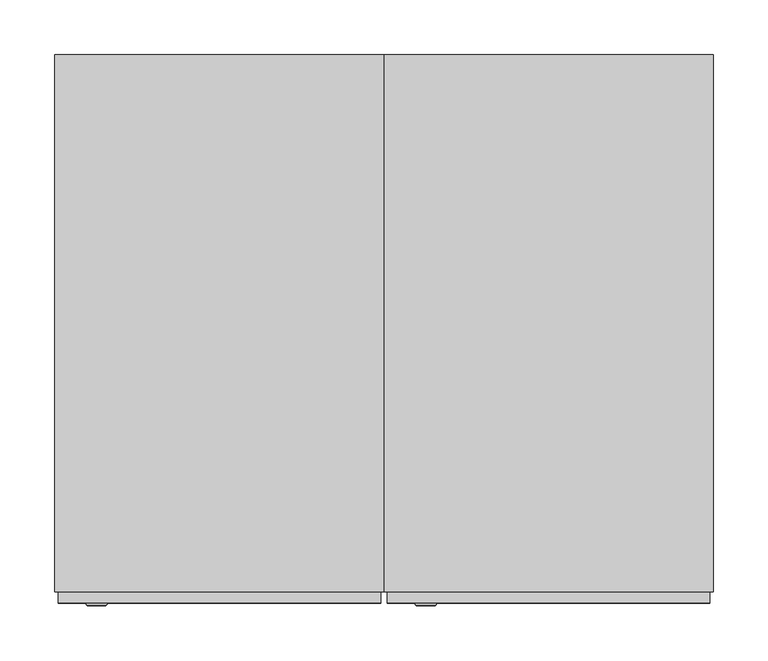
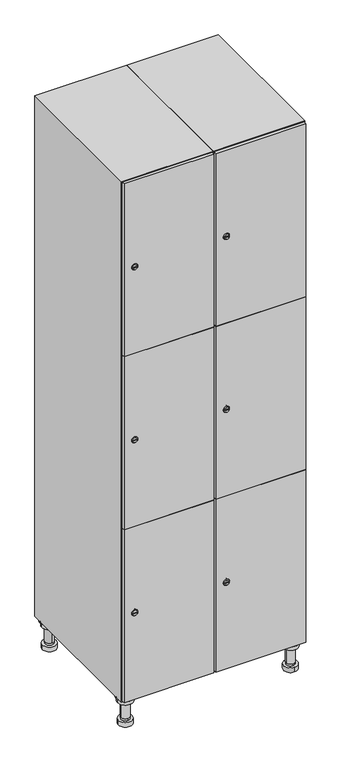
"""IFC4 building model written with IfcOpenShell, lengths in millimetres: furniture geometry."""

from ifc_helpers import new_model, si_unit, point, frame, frame_2d, origin, place, context, project, spatial, polyline, circle_curve, trimmed, segment, composite_curve, outline, extrude, faceted_brep, source, transform, mapped, element, save
from ifc_brep_helpers import plane_surface, cylinder_surface, revolved_surface, advanced_brep


def furniture_5cc05d72(model_context):
    return source(origin(), model_context, "Body", "SolidModel", [
        advanced_brep(
        [(370.0, -201.0, 22.0), (370.0, -201.5, 16.0), (370.0, -228.5, 16.0), (370.0, -229.0, 22.0), (356.0, -215.0, 22.0), (384.0, -215.0, 22.0), (370.0, -192.5, 16.0), (370.0, -237.5, 16.0), (370.0, -192.5, 0.0), (370.0, -237.5, 0.0), (384.0, -215.0, 78.0), (356.0, -215.0, 78.0), (395.0, -215.0, 78.0), (345.0, -215.0, 78.0), (400.0, -215.0, 94.0), (340.0, -215.0, 94.0), (345.0, -215.0, 94.0), (395.0, -215.0, 94.0), (400.0, -215.0, 100.0), (340.0, -215.0, 100.0)],
        [
            (0, 1),
            (1, 2, circle_curve(frame((370.0, -215.0, 16.0), z_axis=(0.0, 0.0, 1.0), x_axis=(0.0, -1.0, 0.0)), 13.5)),
            (2, 3),
            (3, 4, circle_curve(frame((370.0, -215.0, 22.0), z_axis=(0.0, 0.0, -1.0), x_axis=(0.0, -1.0, 0.0)), 14.0)),
            (4, 0, circle_curve(frame((370.0, -215.0, 22.0), z_axis=(0.0, 0.0, -1.0), x_axis=(0.0, -1.0, 0.0)), 14.0)),
            (0, 5, circle_curve(frame((370.0, -215.0, 22.0), z_axis=(0.0, 0.0, -1.0), x_axis=(0.0, 1.0, 0.0)), 14.0)),
            (5, 3, circle_curve(frame((370.0, -215.0, 22.0), z_axis=(0.0, 0.0, -1.0), x_axis=(0.0, 1.0, 0.0)), 14.0)),
            (2, 1, circle_curve(frame((370.0, -215.0, 16.0), z_axis=(0.0, 0.0, 1.0), x_axis=(0.0, 1.0, 0.0)), 13.5)),
            (6, 7, circle_curve(frame((370.0, -215.0, 16.0), z_axis=(0.0, 0.0, 1.0), x_axis=(0.0, -1.0, 0.0)), 22.5)),
            (7, 6, circle_curve(frame((370.0, -215.0, 16.0), z_axis=(0.0, 0.0, 1.0), x_axis=(0.0, -1.0, 0.0)), 22.5)),
            (8, 9, circle_curve(frame((370.0, -215.0, 0.0), z_axis=(0.0, 0.0, -1.0), x_axis=(0.0, -1.0, 0.0)), 22.5)),
            (9, 8, circle_curve(frame((370.0, -215.0, 0.0), z_axis=(0.0, 0.0, -1.0), x_axis=(0.0, -1.0, 0.0)), 22.5)),
            (6, 8),
            (9, 7),
            (5, 10),
            (10, 11, circle_curve(frame((370.0, -215.0, 78.0), z_axis=(0.0, 0.0, -1.0), x_axis=(-1.0, 0.0, 0.0)), 14.0)),
            (11, 4),
            (11, 10, circle_curve(frame((370.0, -215.0, 78.0), z_axis=(0.0, 0.0, -1.0), x_axis=(-1.0, 0.0, 0.0)), 14.0)),
            (12, 13, circle_curve(frame((370.0, -215.0, 78.0), z_axis=(0.0, 0.0, -1.0), x_axis=(-1.0, 0.0, 0.0)), 25.0)),
            (13, 12, circle_curve(frame((370.0, -215.0, 78.0), z_axis=(0.0, 0.0, -1.0), x_axis=(-1.0, 0.0, 0.0)), 25.0)),
            (14, 15, circle_curve(frame((370.0, -215.0, 94.0), z_axis=(0.0, 0.0, -1.0), x_axis=(-1.0, 0.0, 0.0)), 30.0)),
            (15, 14, circle_curve(frame((370.0, -215.0, 94.0), z_axis=(0.0, 0.0, -1.0), x_axis=(-1.0, 0.0, 0.0)), 30.0)),
            (16, 17, circle_curve(frame((370.0, -215.0, 94.0), z_axis=(0.0, 0.0, 1.0), x_axis=(-1.0, 0.0, 0.0)), 25.0)),
            (17, 16, circle_curve(frame((370.0, -215.0, 94.0), z_axis=(0.0, 0.0, 1.0), x_axis=(-1.0, 0.0, 0.0)), 25.0)),
            (18, 19, circle_curve(frame((370.0, -215.0, 100.0), z_axis=(0.0, 0.0, 1.0), x_axis=(-1.0, 0.0, 0.0)), 30.0)),
            (19, 18, circle_curve(frame((370.0, -215.0, 100.0), z_axis=(0.0, 0.0, 1.0), x_axis=(-1.0, 0.0, 0.0)), 30.0)),
            (14, 18),
            (19, 15),
            (12, 17),
            (16, 13),
        ],
        [
            revolved_surface(polyline([(370.0, -201.5, 16.0), (370.0, -201.0, 22.0)]), (370.0, -215.0, -146.0), (0.0, 0.0, 1.0)),
            plane_surface(frame((370.0, 0.0, 16.0), z_axis=(0.0, 0.0, 1.0), x_axis=(0.0, -1.0, 0.0))),
            plane_surface(frame((370.0, 0.0, 0.0), z_axis=(0.0, 0.0, -1.0), x_axis=(0.0, -1.0, 0.0))),
            cylinder_surface(frame((370.0, -215.0, 16.0), z_axis=(0.0, 0.0, 1.0), x_axis=(0.0, -1.0, 0.0)), 22.5),
            cylinder_surface(frame((370.0, -215.0, 22.0), z_axis=(0.0, 0.0, -1.0), x_axis=(-1.0, 0.0, 0.0)), 14.0),
            plane_surface(frame((370.0, 0.0, 78.0), z_axis=(0.0, 0.0, -1.0), x_axis=(0.0, -1.0, 0.0))),
            plane_surface(frame((370.0, 0.0, 94.0), z_axis=(0.0, 0.0, -1.0), x_axis=(0.0, -1.0, 0.0))),
            plane_surface(frame((370.0, 0.0, 100.0), z_axis=(0.0, 0.0, 1.0), x_axis=(0.0, -1.0, 0.0))),
            cylinder_surface(frame((370.0, -215.0, 94.0), z_axis=(0.0, 0.0, -1.0), x_axis=(-1.0, 0.0, 0.0)), 30.0),
            cylinder_surface(frame((370.0, -215.0, 78.0), z_axis=(0.0, 0.0, -1.0), x_axis=(-1.0, 0.0, 0.0)), 25.0),
        ],
        [
            (0, [[1, 2, 3, 4, 5]]),
            (0, [[-1, 6, 7, -3, 8]]),
            (1, [[9, 10], [-2, -8]]),
            (2, [[11, 12]]),
            (3, [[-9, 13, -12, 14]]),
            (3, [[-10, -14, -11, -13]]),
            (4, [[15, 16, 17, -4, -7]]),
            (4, [[-15, -6, -5, -17, 18]]),
            (5, [[19, 20], [-16, -18]]),
            (6, [[21, 22], [23, 24]]),
            (7, [[25, 26]]),
            (8, [[-21, 27, -26, 28]]),
            (8, [[-22, -28, -25, -27]]),
            (9, [[-19, 29, -23, 30]]),
            (9, [[-20, -30, -24, -29]]),
        ],
    ),
        advanced_brep(
        [(-170.0, -201.0, 22.0), (-170.0, -201.5, 16.0), (-170.0, -228.5, 16.0), (-170.0, -229.0, 22.0), (-184.0, -215.0, 22.0), (-156.0, -215.0, 22.0), (-147.5, -215.0, 0.0), (-192.5, -215.0, 0.0), (-147.5, -215.0, 16.0), (-192.5, -215.0, 16.0), (-156.0, -215.0, 78.0), (-184.0, -215.0, 78.0), (-145.0, -215.0, 78.0), (-195.0, -215.0, 78.0), (-140.0, -215.0, 94.0), (-200.0, -215.0, 94.0), (-195.0, -215.0, 94.0), (-145.0, -215.0, 94.0), (-140.0, -215.0, 100.0), (-200.0, -215.0, 100.0)],
        [
            (0, 1),
            (1, 2, circle_curve(frame((-170.0, -215.0, 16.0), z_axis=(0.0, 0.0, 1.0), x_axis=(0.0, -1.0, 0.0)), 13.5)),
            (2, 3),
            (3, 4, circle_curve(frame((-170.0, -215.0, 22.0), z_axis=(0.0, 0.0, -1.0), x_axis=(0.0, -1.0, 0.0)), 14.0)),
            (4, 0, circle_curve(frame((-170.0, -215.0, 22.0), z_axis=(0.0, 0.0, -1.0), x_axis=(0.0, -1.0, 0.0)), 14.0)),
            (0, 5, circle_curve(frame((-170.0, -215.0, 22.0), z_axis=(0.0, 0.0, -1.0), x_axis=(0.0, 1.0, 0.0)), 14.0)),
            (5, 3, circle_curve(frame((-170.0, -215.0, 22.0), z_axis=(0.0, 0.0, -1.0), x_axis=(0.0, 1.0, 0.0)), 14.0)),
            (2, 1, circle_curve(frame((-170.0, -215.0, 16.0), z_axis=(0.0, 0.0, 1.0), x_axis=(0.0, 1.0, 0.0)), 13.5)),
            (6, 7, circle_curve(frame((-170.0, -215.0, 0.0), z_axis=(0.0, 0.0, -1.0), x_axis=(-1.0, 0.0, 0.0)), 22.5)),
            (7, 6, circle_curve(frame((-170.0, -215.0, 0.0), z_axis=(0.0, 0.0, -1.0), x_axis=(-1.0, 0.0, 0.0)), 22.5)),
            (8, 9, circle_curve(frame((-170.0, -215.0, 16.0), z_axis=(0.0, 0.0, 1.0), x_axis=(-1.0, 0.0, 0.0)), 22.5)),
            (9, 8, circle_curve(frame((-170.0, -215.0, 16.0), z_axis=(0.0, 0.0, 1.0), x_axis=(-1.0, 0.0, 0.0)), 22.5)),
            (6, 8),
            (9, 7),
            (5, 10),
            (10, 11, circle_curve(frame((-170.0, -215.0, 78.0), z_axis=(0.0, 0.0, -1.0), x_axis=(-1.0, 0.0, 0.0)), 14.0)),
            (11, 4),
            (11, 10, circle_curve(frame((-170.0, -215.0, 78.0), z_axis=(0.0, 0.0, -1.0), x_axis=(-1.0, 0.0, 0.0)), 14.0)),
            (12, 13, circle_curve(frame((-170.0, -215.0, 78.0), z_axis=(0.0, 0.0, -1.0), x_axis=(-1.0, 0.0, 0.0)), 25.0)),
            (13, 12, circle_curve(frame((-170.0, -215.0, 78.0), z_axis=(0.0, 0.0, -1.0), x_axis=(-1.0, 0.0, 0.0)), 25.0)),
            (14, 15, circle_curve(frame((-170.0, -215.0, 94.0), z_axis=(0.0, 0.0, -1.0), x_axis=(-1.0, 0.0, 0.0)), 30.0)),
            (15, 14, circle_curve(frame((-170.0, -215.0, 94.0), z_axis=(0.0, 0.0, -1.0), x_axis=(-1.0, 0.0, 0.0)), 30.0)),
            (16, 17, circle_curve(frame((-170.0, -215.0, 94.0), z_axis=(0.0, 0.0, 1.0), x_axis=(-1.0, 0.0, 0.0)), 25.0)),
            (17, 16, circle_curve(frame((-170.0, -215.0, 94.0), z_axis=(0.0, 0.0, 1.0), x_axis=(-1.0, 0.0, 0.0)), 25.0)),
            (18, 19, circle_curve(frame((-170.0, -215.0, 100.0), z_axis=(0.0, 0.0, 1.0), x_axis=(-1.0, 0.0, 0.0)), 30.0)),
            (19, 18, circle_curve(frame((-170.0, -215.0, 100.0), z_axis=(0.0, 0.0, 1.0), x_axis=(-1.0, 0.0, 0.0)), 30.0)),
            (14, 18),
            (19, 15),
            (12, 17),
            (16, 13),
        ],
        [
            revolved_surface(polyline([(-170.0, -201.5, 16.0), (-170.0, -201.0, 22.0)]), (-170.0, -215.0, -146.0), (0.0, 0.0, 1.0)),
            plane_surface(frame((-170.0, 0.0, 0.0), z_axis=(0.0, 0.0, -1.0), x_axis=(0.0, -1.0, 0.0))),
            plane_surface(frame((-170.0, 0.0, 16.0), z_axis=(0.0, 0.0, 1.0), x_axis=(0.0, -1.0, 0.0))),
            cylinder_surface(frame((-170.0, -215.0, 0.0), z_axis=(0.0, 0.0, -1.0), x_axis=(-1.0, 0.0, 0.0)), 22.5),
            cylinder_surface(frame((-170.0, -215.0, 22.0), z_axis=(0.0, 0.0, -1.0), x_axis=(-1.0, 0.0, 0.0)), 14.0),
            plane_surface(frame((-170.0, 0.0, 78.0), z_axis=(0.0, 0.0, -1.0), x_axis=(0.0, -1.0, 0.0))),
            plane_surface(frame((-170.0, 0.0, 94.0), z_axis=(0.0, 0.0, -1.0), x_axis=(0.0, -1.0, 0.0))),
            plane_surface(frame((-170.0, 0.0, 100.0), z_axis=(0.0, 0.0, 1.0), x_axis=(0.0, -1.0, 0.0))),
            cylinder_surface(frame((-170.0, -215.0, 94.0), z_axis=(0.0, 0.0, -1.0), x_axis=(-1.0, 0.0, 0.0)), 30.0),
            cylinder_surface(frame((-170.0, -215.0, 78.0), z_axis=(0.0, 0.0, -1.0), x_axis=(-1.0, 0.0, 0.0)), 25.0),
        ],
        [
            (0, [[1, 2, 3, 4, 5]]),
            (0, [[-1, 6, 7, -3, 8]]),
            (1, [[9, 10]]),
            (2, [[11, 12], [-2, -8]]),
            (3, [[-9, 13, -12, 14]]),
            (3, [[-10, -14, -11, -13]]),
            (4, [[15, 16, 17, -4, -7]]),
            (4, [[-15, -6, -5, -17, 18]]),
            (5, [[19, 20], [-16, -18]]),
            (6, [[21, 22], [23, 24]]),
            (7, [[25, 26]]),
            (8, [[-21, 27, -26, 28]]),
            (8, [[-22, -28, -25, -27]]),
            (9, [[-19, 29, -23, 30]]),
            (9, [[-20, -30, -24, -29]]),
        ],
    ),
        advanced_brep(
        [(383.5, 215.0, 16.0), (384.0, 215.0, 22.0), (356.0, 215.0, 22.0), (356.5, 215.0, 16.0), (392.5, 215.0, 0.0), (347.5, 215.0, 0.0), (392.5, 215.0, 16.0), (347.5, 215.0, 16.0), (384.0, 215.0, 78.0), (356.0, 215.0, 78.0), (395.0, 215.0, 78.0), (345.0, 215.0, 78.0), (400.0, 215.0, 94.0), (340.0, 215.0, 94.0), (345.0, 215.0, 94.0), (395.0, 215.0, 94.0), (400.0, 215.0, 100.0), (340.0, 215.0, 100.0)],
        [
            (0, 1),
            (1, 2, circle_curve(frame((370.0, 215.0, 22.0), z_axis=(0.0, 0.0, -1.0), x_axis=(-1.0, 0.0, 0.0)), 14.0)),
            (2, 3),
            (3, 0, circle_curve(frame((370.0, 215.0, 16.0), z_axis=(0.0, 0.0, 1.0), x_axis=(-1.0, 0.0, 0.0)), 13.5)),
            (0, 3, circle_curve(frame((370.0, 215.0, 16.0), z_axis=(0.0, 0.0, 1.0), x_axis=(1.0, 0.0, 0.0)), 13.5)),
            (2, 1, circle_curve(frame((370.0, 215.0, 22.0), z_axis=(0.0, 0.0, -1.0), x_axis=(1.0, 0.0, 0.0)), 14.0)),
            (4, 5, circle_curve(frame((370.0, 215.0, 0.0), z_axis=(0.0, 0.0, -1.0), x_axis=(-1.0, 0.0, 0.0)), 22.5)),
            (5, 4, circle_curve(frame((370.0, 215.0, 0.0), z_axis=(0.0, 0.0, -1.0), x_axis=(-1.0, 0.0, 0.0)), 22.5)),
            (6, 7, circle_curve(frame((370.0, 215.0, 16.0), z_axis=(0.0, 0.0, 1.0), x_axis=(-1.0, 0.0, 0.0)), 22.5)),
            (7, 6, circle_curve(frame((370.0, 215.0, 16.0), z_axis=(0.0, 0.0, 1.0), x_axis=(-1.0, 0.0, 0.0)), 22.5)),
            (4, 6),
            (7, 5),
            (1, 8),
            (8, 9, circle_curve(frame((370.0, 215.0, 78.0), z_axis=(0.0, 0.0, -1.0), x_axis=(-1.0, 0.0, 0.0)), 14.0)),
            (9, 2),
            (9, 8, circle_curve(frame((370.0, 215.0, 78.0), z_axis=(0.0, 0.0, -1.0), x_axis=(-1.0, 0.0, 0.0)), 14.0)),
            (10, 11, circle_curve(frame((370.0, 215.0, 78.0), z_axis=(0.0, 0.0, -1.0), x_axis=(-1.0, 0.0, 0.0)), 25.0)),
            (11, 10, circle_curve(frame((370.0, 215.0, 78.0), z_axis=(0.0, 0.0, -1.0), x_axis=(-1.0, 0.0, 0.0)), 25.0)),
            (12, 13, circle_curve(frame((370.0, 215.0, 94.0), z_axis=(0.0, 0.0, -1.0), x_axis=(-1.0, 0.0, 0.0)), 30.0)),
            (13, 12, circle_curve(frame((370.0, 215.0, 94.0), z_axis=(0.0, 0.0, -1.0), x_axis=(-1.0, 0.0, 0.0)), 30.0)),
            (14, 15, circle_curve(frame((370.0, 215.0, 94.0), z_axis=(0.0, 0.0, 1.0), x_axis=(-1.0, 0.0, 0.0)), 25.0)),
            (15, 14, circle_curve(frame((370.0, 215.0, 94.0), z_axis=(0.0, 0.0, 1.0), x_axis=(-1.0, 0.0, 0.0)), 25.0)),
            (16, 17, circle_curve(frame((370.0, 215.0, 100.0), z_axis=(0.0, 0.0, 1.0), x_axis=(-1.0, 0.0, 0.0)), 30.0)),
            (17, 16, circle_curve(frame((370.0, 215.0, 100.0), z_axis=(0.0, 0.0, 1.0), x_axis=(-1.0, 0.0, 0.0)), 30.0)),
            (12, 16),
            (17, 13),
            (10, 15),
            (14, 11),
        ],
        [
            revolved_surface(polyline([(383.5, 215.0, 16.0), (384.0, 215.0, 22.0)]), (370.0, 215.0, -146.0), (0.0, 0.0, 1.0)),
            plane_surface(frame((370.0, 0.0, 0.0), z_axis=(0.0, 0.0, -1.0), x_axis=(0.0, -1.0, 0.0))),
            plane_surface(frame((370.0, 0.0, 16.0), z_axis=(0.0, 0.0, 1.0), x_axis=(0.0, -1.0, 0.0))),
            cylinder_surface(frame((370.0, 215.0, 0.0), z_axis=(0.0, 0.0, -1.0), x_axis=(-1.0, 0.0, 0.0)), 22.5),
            cylinder_surface(frame((370.0, 215.0, 22.0), z_axis=(0.0, 0.0, -1.0), x_axis=(-1.0, 0.0, 0.0)), 14.0),
            plane_surface(frame((370.0, 0.0, 78.0), z_axis=(0.0, 0.0, -1.0), x_axis=(0.0, -1.0, 0.0))),
            plane_surface(frame((370.0, 0.0, 94.0), z_axis=(0.0, 0.0, -1.0), x_axis=(0.0, -1.0, 0.0))),
            plane_surface(frame((370.0, 0.0, 100.0), z_axis=(0.0, 0.0, 1.0), x_axis=(0.0, -1.0, 0.0))),
            cylinder_surface(frame((370.0, 215.0, 94.0), z_axis=(0.0, 0.0, -1.0), x_axis=(-1.0, 0.0, 0.0)), 30.0),
            cylinder_surface(frame((370.0, 215.0, 78.0), z_axis=(0.0, 0.0, -1.0), x_axis=(-1.0, 0.0, 0.0)), 25.0),
        ],
        [
            (0, [[1, 2, 3, 4]]),
            (0, [[-1, 5, -3, 6]]),
            (1, [[7, 8]]),
            (2, [[9, 10], [-4, -5]]),
            (3, [[-7, 11, -10, 12]]),
            (3, [[-8, -12, -9, -11]]),
            (4, [[13, 14, 15, -2]]),
            (4, [[-13, -6, -15, 16]]),
            (5, [[17, 18], [-14, -16]]),
            (6, [[19, 20], [21, 22]]),
            (7, [[23, 24]]),
            (8, [[-19, 25, -24, 26]]),
            (8, [[-20, -26, -23, -25]]),
            (9, [[-17, 27, -21, 28]]),
            (9, [[-18, -28, -22, -27]]),
        ],
    ),
        advanced_brep(
        [(-156.5, 215.0, 16.0), (-156.0, 215.0, 22.0), (-170.0, 201.0, 22.0), (-184.0, 215.0, 22.0), (-183.5, 215.0, 16.0), (-170.0, 229.0, 22.0), (-147.5, 215.0, 0.0), (-192.5, 215.0, 0.0), (-147.5, 215.0, 16.0), (-192.5, 215.0, 16.0), (-170.0, 229.0, 78.0), (-170.0, 201.0, 78.0), (-145.0, 215.0, 78.0), (-195.0, 215.0, 78.0), (-140.0, 215.0, 94.0), (-200.0, 215.0, 94.0), (-195.0, 215.0, 94.0), (-145.0, 215.0, 94.0), (-140.0, 215.0, 100.0), (-200.0, 215.0, 100.0)],
        [
            (0, 1),
            (1, 2, circle_curve(frame((-170.0, 215.0, 22.0), z_axis=(0.0, 0.0, -1.0), x_axis=(-1.0, 0.0, 0.0)), 14.0)),
            (2, 3, circle_curve(frame((-170.0, 215.0, 22.0), z_axis=(0.0, 0.0, -1.0), x_axis=(-1.0, 0.0, 0.0)), 14.0)),
            (3, 4),
            (4, 0, circle_curve(frame((-170.0, 215.0, 16.0), z_axis=(0.0, 0.0, 1.0), x_axis=(-1.0, 0.0, 0.0)), 13.5)),
            (0, 4, circle_curve(frame((-170.0, 215.0, 16.0), z_axis=(0.0, 0.0, 1.0), x_axis=(1.0, 0.0, 0.0)), 13.5)),
            (3, 5, circle_curve(frame((-170.0, 215.0, 22.0), z_axis=(0.0, 0.0, -1.0), x_axis=(1.0, 0.0, 0.0)), 14.0)),
            (5, 1, circle_curve(frame((-170.0, 215.0, 22.0), z_axis=(0.0, 0.0, -1.0), x_axis=(1.0, 0.0, 0.0)), 14.0)),
            (6, 7, circle_curve(frame((-170.0, 215.0, 0.0), z_axis=(0.0, 0.0, -1.0), x_axis=(-1.0, 0.0, 0.0)), 22.5)),
            (7, 6, circle_curve(frame((-170.0, 215.0, 0.0), z_axis=(0.0, 0.0, -1.0), x_axis=(-1.0, 0.0, 0.0)), 22.5)),
            (8, 9, circle_curve(frame((-170.0, 215.0, 16.0), z_axis=(0.0, 0.0, 1.0), x_axis=(-1.0, 0.0, 0.0)), 22.5)),
            (9, 8, circle_curve(frame((-170.0, 215.0, 16.0), z_axis=(0.0, 0.0, 1.0), x_axis=(-1.0, 0.0, 0.0)), 22.5)),
            (6, 8),
            (9, 7),
            (10, 5),
            (2, 11),
            (11, 10, circle_curve(frame((-170.0, 215.0, 78.0), z_axis=(0.0, 0.0, -1.0), x_axis=(0.0, -1.0, 0.0)), 14.0)),
            (10, 11, circle_curve(frame((-170.0, 215.0, 78.0), z_axis=(0.0, 0.0, -1.0), x_axis=(0.0, -1.0, 0.0)), 14.0)),
            (12, 13, circle_curve(frame((-170.0, 215.0, 78.0), z_axis=(0.0, 0.0, -1.0), x_axis=(-1.0, 0.0, 0.0)), 25.0)),
            (13, 12, circle_curve(frame((-170.0, 215.0, 78.0), z_axis=(0.0, 0.0, -1.0), x_axis=(-1.0, 0.0, 0.0)), 25.0)),
            (14, 15, circle_curve(frame((-170.0, 215.0, 94.0), z_axis=(0.0, 0.0, -1.0), x_axis=(-1.0, 0.0, 0.0)), 30.0)),
            (15, 14, circle_curve(frame((-170.0, 215.0, 94.0), z_axis=(0.0, 0.0, -1.0), x_axis=(-1.0, 0.0, 0.0)), 30.0)),
            (16, 17, circle_curve(frame((-170.0, 215.0, 94.0), z_axis=(0.0, 0.0, 1.0), x_axis=(-1.0, 0.0, 0.0)), 25.0)),
            (17, 16, circle_curve(frame((-170.0, 215.0, 94.0), z_axis=(0.0, 0.0, 1.0), x_axis=(-1.0, 0.0, 0.0)), 25.0)),
            (18, 19, circle_curve(frame((-170.0, 215.0, 100.0), z_axis=(0.0, 0.0, 1.0), x_axis=(-1.0, 0.0, 0.0)), 30.0)),
            (19, 18, circle_curve(frame((-170.0, 215.0, 100.0), z_axis=(0.0, 0.0, 1.0), x_axis=(-1.0, 0.0, 0.0)), 30.0)),
            (14, 18),
            (19, 15),
            (12, 17),
            (16, 13),
        ],
        [
            revolved_surface(polyline([(-156.5, 215.0, 16.0), (-156.0, 215.0, 22.0)]), (-170.0, 215.0, -146.0), (0.0, 0.0, 1.0)),
            plane_surface(frame((-170.0, 0.0, 0.0), z_axis=(0.0, 0.0, -1.0), x_axis=(0.0, -1.0, 0.0))),
            plane_surface(frame((-170.0, 0.0, 16.0), z_axis=(0.0, 0.0, 1.0), x_axis=(0.0, -1.0, 0.0))),
            cylinder_surface(frame((-170.0, 215.0, 0.0), z_axis=(0.0, 0.0, -1.0), x_axis=(-1.0, 0.0, 0.0)), 22.5),
            cylinder_surface(frame((-170.0, 215.0, 78.0), z_axis=(0.0, 0.0, 1.0), x_axis=(0.0, -1.0, 0.0)), 14.0),
            plane_surface(frame((-170.0, 0.0, 78.0), z_axis=(0.0, 0.0, -1.0), x_axis=(0.0, -1.0, 0.0))),
            plane_surface(frame((-170.0, 0.0, 94.0), z_axis=(0.0, 0.0, -1.0), x_axis=(0.0, -1.0, 0.0))),
            plane_surface(frame((-170.0, 0.0, 100.0), z_axis=(0.0, 0.0, 1.0), x_axis=(0.0, -1.0, 0.0))),
            cylinder_surface(frame((-170.0, 215.0, 94.0), z_axis=(0.0, 0.0, -1.0), x_axis=(-1.0, 0.0, 0.0)), 30.0),
            cylinder_surface(frame((-170.0, 215.0, 78.0), z_axis=(0.0, 0.0, -1.0), x_axis=(-1.0, 0.0, 0.0)), 25.0),
        ],
        [
            (0, [[1, 2, 3, 4, 5]]),
            (0, [[-1, 6, -4, 7, 8]]),
            (1, [[9, 10]]),
            (2, [[11, 12], [-5, -6]]),
            (3, [[-9, 13, -12, 14]]),
            (3, [[-10, -14, -11, -13]]),
            (4, [[15, -7, -3, 16, 17]]),
            (4, [[-15, 18, -16, -2, -8]]),
            (5, [[19, 20], [-17, -18]]),
            (6, [[21, 22], [23, 24]]),
            (7, [[25, 26]]),
            (8, [[-21, 27, -26, 28]]),
            (8, [[-22, -28, -25, -27]]),
            (9, [[-19, 29, -23, 30]]),
            (9, [[-20, -30, -24, -29]]),
        ],
    ),
        extrude(outline(composite_curve([segment(trimmed(circle_curve(frame_2d((402.0, 111.2010534)), 7.0), [point((409.0, 111.2010534))], [point((395.0, 111.2010534))], False, "CARTESIAN"), True, "CONTINUOUS"), segment(polyline([(395.0, 111.2010534), (395.0, 139.2010534)]), True, "CONTINUOUS"), segment(trimmed(circle_curve(frame_2d((402.0, 139.2010534)), 7.0), [point((395.0, 139.2010534))], [point((409.0, 139.2010534))], False, "CARTESIAN"), True, "CONTINUOUS"), segment(polyline([(409.0, 139.2010534), (409.0, 111.2010534)]), True, "CONTINUOUS")], self_intersect=False)), frame((0.0, -245.0, 0.0), z_axis=(0.0, 1.0, 0.0), x_axis=(0.0, 0.0, 1.0)), (0.0, 0.0, 1.0), 2.0),
        advanced_brep(
        [(146.5, -257.2, 402.0), (129.5, -257.2, 402.0), (133.0, -257.2, 400.75), (133.0, -257.2, 403.25), (143.0, -257.2, 403.25), (143.0, -257.2, 400.75), (148.5, -255.0, 402.0), (127.5, -255.0, 402.0), (133.0, -255.0, 403.25), (133.0, -255.0, 400.75), (143.0, -255.0, 400.75), (143.0, -255.0, 403.25)],
        [
            (0, 1, circle_curve(frame((138.0, -257.2, 402.0), z_axis=(0.0, -1.0, 0.0), x_axis=(1.0, 0.0, 0.0)), 8.5)),
            (1, 0, circle_curve(frame((138.0, -257.2, 402.0), z_axis=(0.0, -1.0, 0.0), x_axis=(-1.0, 0.0, 0.0)), 8.5)),
            (2, 3),
            (3, 4),
            (4, 5),
            (5, 2),
            (6, 7, circle_curve(frame((138.0, -255.0, 402.0), z_axis=(0.0, 1.0, 0.0), x_axis=(-1.0, 0.0, 0.0)), 10.5)),
            (7, 6, circle_curve(frame((138.0, -255.0, 402.0), z_axis=(0.0, 1.0, 0.0), x_axis=(1.0, 0.0, 0.0)), 10.5)),
            (8, 9),
            (9, 10),
            (10, 11),
            (11, 8),
            (0, 6),
            (7, 1),
            (8, 3),
            (2, 9),
            (11, 4),
            (10, 5),
        ],
        [
            plane_surface(frame((138.0, -257.2, 402.0), z_axis=(0.0, -1.0, 0.0), x_axis=(0.0, 0.0, 1.0))),
            plane_surface(frame((138.0, -255.0, 402.0), z_axis=(0.0, 1.0, 0.0), x_axis=(0.0, 0.0, 1.0))),
            revolved_surface(polyline([(146.5, -257.2, 402.0), (148.5, -255.0, 402.0)]), (138.0, -266.55, 402.0), (0.0, 1.0, 0.0)),
            revolved_surface(polyline([(129.5, -257.2, 402.0), (127.5, -255.0, 402.0)]), (138.0, -266.55, 402.0), (0.0, 1.0, 0.0)),
            plane_surface(frame((133.0, -255.0, 400.75), z_axis=(1.0, 0.0, 0.0), x_axis=(0.0, -1.0, 0.0))),
            plane_surface(frame((133.0, -255.0, 403.25), z_axis=(0.0, 0.0, -1.0), x_axis=(0.0, -1.0, 0.0))),
            plane_surface(frame((143.0, -255.0, 403.25), z_axis=(-1.0, 0.0, 0.0), x_axis=(0.0, -1.0, 0.0))),
            plane_surface(frame((143.0, -255.0, 400.75), z_axis=(0.0, 0.0, 1.0), x_axis=(0.0, -1.0, 0.0))),
        ],
        [
            (0, [[1, 2], [3, 4, 5, 6]]),
            (1, [[7, 8], [9, 10, 11, 12]]),
            (2, [[-1, 13, -8, 14]]),
            (3, [[-2, -14, -7, -13]]),
            (4, [[15, -3, 16, -9]]),
            (5, [[-15, -12, 17, -4]]),
            (6, [[-17, -11, 18, -5]]),
            (7, [[-16, -6, -18, -10]]),
        ],
    ),
        extrude(outline(composite_curve([segment(trimmed(circle_curve(frame_2d((1000.0, 111.2010534)), 7.0), [point((1007.0, 111.2010534))], [point((993.0, 111.2010534))], False, "CARTESIAN"), True, "CONTINUOUS"), segment(polyline([(993.0, 111.2010534), (993.0, 139.2010534)]), True, "CONTINUOUS"), segment(trimmed(circle_curve(frame_2d((1000.0, 139.2010534)), 7.0), [point((993.0, 139.2010534))], [point((1007.0, 139.2010534))], False, "CARTESIAN"), True, "CONTINUOUS"), segment(polyline([(1007.0, 139.2010534), (1007.0, 111.2010534)]), True, "CONTINUOUS")], self_intersect=False)), frame((0.0, -245.0, 0.0), z_axis=(0.0, 1.0, 0.0), x_axis=(0.0, 0.0, 1.0)), (0.0, 0.0, 1.0), 2.0),
        advanced_brep(
        [(146.5, -257.2, 1000.0), (129.5, -257.2, 1000.0), (133.0, -257.2, 998.75), (133.0, -257.2, 1001.25), (143.0, -257.2, 1001.25), (143.0, -257.2, 998.75), (148.5, -255.0, 1000.0), (127.5, -255.0, 1000.0), (133.0, -255.0, 1001.25), (133.0, -255.0, 998.75), (143.0, -255.0, 998.75), (143.0, -255.0, 1001.25)],
        [
            (0, 1, circle_curve(frame((138.0, -257.2, 1000.0), z_axis=(0.0, -1.0, 0.0), x_axis=(1.0, 0.0, 0.0)), 8.5)),
            (1, 0, circle_curve(frame((138.0, -257.2, 1000.0), z_axis=(0.0, -1.0, 0.0), x_axis=(-1.0, 0.0, 0.0)), 8.5)),
            (2, 3),
            (3, 4),
            (4, 5),
            (5, 2),
            (6, 7, circle_curve(frame((138.0, -255.0, 1000.0), z_axis=(0.0, 1.0, 0.0), x_axis=(-1.0, 0.0, 0.0)), 10.5)),
            (7, 6, circle_curve(frame((138.0, -255.0, 1000.0), z_axis=(0.0, 1.0, 0.0), x_axis=(1.0, 0.0, 0.0)), 10.5)),
            (8, 9),
            (9, 10),
            (10, 11),
            (11, 8),
            (0, 6),
            (7, 1),
            (8, 3),
            (2, 9),
            (11, 4),
            (10, 5),
        ],
        [
            plane_surface(frame((138.0, -257.2, 1000.0), z_axis=(0.0, -1.0, 0.0), x_axis=(0.0, 0.0, 1.0))),
            plane_surface(frame((138.0, -255.0, 1000.0), z_axis=(0.0, 1.0, 0.0), x_axis=(0.0, 0.0, 1.0))),
            revolved_surface(polyline([(146.5, -257.2, 1000.0), (148.5, -255.0, 1000.0)]), (138.0, -266.55, 1000.0), (0.0, 1.0, 0.0)),
            revolved_surface(polyline([(129.5, -257.2, 1000.0), (127.5, -255.0, 1000.0)]), (138.0, -266.55, 1000.0), (0.0, 1.0, 0.0)),
            plane_surface(frame((133.0, -255.0, 998.75), z_axis=(1.0, 0.0, 0.0), x_axis=(0.0, -1.0, 0.0))),
            plane_surface(frame((133.0, -255.0, 1001.25), z_axis=(0.0, 0.0, -1.0), x_axis=(0.0, -1.0, 0.0))),
            plane_surface(frame((143.0, -255.0, 1001.25), z_axis=(-1.0, 0.0, 0.0), x_axis=(0.0, -1.0, 0.0))),
            plane_surface(frame((143.0, -255.0, 998.75), z_axis=(0.0, 0.0, 1.0), x_axis=(0.0, -1.0, 0.0))),
        ],
        [
            (0, [[1, 2], [3, 4, 5, 6]]),
            (1, [[7, 8], [9, 10, 11, 12]]),
            (2, [[-1, 13, -8, 14]]),
            (3, [[-2, -14, -7, -13]]),
            (4, [[15, -3, 16, -9]]),
            (5, [[-15, -12, 17, -4]]),
            (6, [[-17, -11, 18, -5]]),
            (7, [[-16, -6, -18, -10]]),
        ],
    ),
        extrude(outline(composite_curve([segment(trimmed(circle_curve(frame_2d((1598.0, 111.2010534)), 7.0), [point((1605.0, 111.2010534))], [point((1591.0, 111.2010534))], False, "CARTESIAN"), True, "CONTINUOUS"), segment(polyline([(1591.0, 111.2010534), (1591.0, 139.2010534)]), True, "CONTINUOUS"), segment(trimmed(circle_curve(frame_2d((1598.0, 139.2010534)), 7.0), [point((1591.0, 139.2010534))], [point((1605.0, 139.2010534))], False, "CARTESIAN"), True, "CONTINUOUS"), segment(polyline([(1605.0, 139.2010534), (1605.0, 111.2010534)]), True, "CONTINUOUS")], self_intersect=False)), frame((0.0, -245.0, 0.0), z_axis=(0.0, 1.0, 0.0), x_axis=(0.0, 0.0, 1.0)), (0.0, 0.0, 1.0), 2.0),
        advanced_brep(
        [(146.5, -257.2, 1598.0), (129.5, -257.2, 1598.0), (133.0, -257.2, 1596.75), (133.0, -257.2, 1599.25), (143.0, -257.2, 1599.25), (143.0, -257.2, 1596.75), (148.5, -255.0, 1598.0), (127.5, -255.0, 1598.0), (133.0, -255.0, 1599.25), (133.0, -255.0, 1596.75), (143.0, -255.0, 1596.75), (143.0, -255.0, 1599.25)],
        [
            (0, 1, circle_curve(frame((138.0, -257.2, 1598.0), z_axis=(0.0, -1.0, 0.0), x_axis=(1.0, 0.0, 0.0)), 8.5)),
            (1, 0, circle_curve(frame((138.0, -257.2, 1598.0), z_axis=(0.0, -1.0, 0.0), x_axis=(-1.0, 0.0, 0.0)), 8.5)),
            (2, 3),
            (3, 4),
            (4, 5),
            (5, 2),
            (6, 7, circle_curve(frame((138.0, -255.0, 1598.0), z_axis=(0.0, 1.0, 0.0), x_axis=(-1.0, 0.0, 0.0)), 10.5)),
            (7, 6, circle_curve(frame((138.0, -255.0, 1598.0), z_axis=(0.0, 1.0, 0.0), x_axis=(1.0, 0.0, 0.0)), 10.5)),
            (8, 9),
            (9, 10),
            (10, 11),
            (11, 8),
            (0, 6),
            (7, 1),
            (8, 3),
            (2, 9),
            (11, 4),
            (10, 5),
        ],
        [
            plane_surface(frame((138.0, -257.2, 1598.0), z_axis=(0.0, -1.0, 0.0), x_axis=(0.0, 0.0, 1.0))),
            plane_surface(frame((138.0, -255.0, 1598.0), z_axis=(0.0, 1.0, 0.0), x_axis=(0.0, 0.0, 1.0))),
            revolved_surface(polyline([(146.5, -257.2, 1598.0), (148.5, -255.0, 1598.0)]), (138.0, -266.55, 1598.0), (0.0, 1.0, 0.0)),
            revolved_surface(polyline([(129.5, -257.2, 1598.0), (127.5, -255.0, 1598.0)]), (138.0, -266.55, 1598.0), (0.0, 1.0, 0.0)),
            plane_surface(frame((133.0, -255.0, 1596.75), z_axis=(1.0, 0.0, 0.0), x_axis=(0.0, -1.0, 0.0))),
            plane_surface(frame((133.0, -255.0, 1599.25), z_axis=(0.0, 0.0, -1.0), x_axis=(0.0, -1.0, 0.0))),
            plane_surface(frame((143.0, -255.0, 1599.25), z_axis=(-1.0, 0.0, 0.0), x_axis=(0.0, -1.0, 0.0))),
            plane_surface(frame((143.0, -255.0, 1596.75), z_axis=(0.0, 0.0, 1.0), x_axis=(0.0, -1.0, 0.0))),
        ],
        [
            (0, [[1, 2], [3, 4, 5, 6]]),
            (1, [[7, 8], [9, 10, 11, 12]]),
            (2, [[-1, 13, -8, 14]]),
            (3, [[-2, -14, -7, -13]]),
            (4, [[15, -3, 16, -9]]),
            (5, [[-15, -12, 17, -4]]),
            (6, [[-17, -11, 18, -5]]),
            (7, [[-16, -6, -18, -10]]),
        ],
    ),
        extrude(outline(polyline([(397.0, -245.0), (397.0, -255.0), (103.0, -255.0), (103.0, -245.0), (397.0, -245.0)])), frame((0.0, 0.0, 701.5), z_axis=(0.0, 0.0, 1.0), x_axis=(1.0, 0.0, 0.0)), (0.0, 0.0, 1.0), 597.0),
        extrude(outline(polyline([(103.0, -255.0), (103.0, -245.0), (397.0, -245.0), (397.0, -255.0), (103.0, -255.0)])), frame((0.0, 0.0, 1299.5), z_axis=(0.0, 0.0, 1.0), x_axis=(1.0, 0.0, 0.0)), (0.0, 0.0, 1.0), 597.5),
        extrude(outline(polyline([(397.0, -245.0), (397.0, -255.0), (103.0, -255.0), (103.0, -245.0), (397.0, -245.0)])), frame((0.0, 0.0, 103.0), z_axis=(0.0, 0.0, 1.0), x_axis=(1.0, 0.0, 0.0)), (0.0, 0.0, 1.0), 597.5),
        extrude(outline(polyline([(390.0, 241.0), (390.0, -235.0), (110.0, -235.0), (110.0, 241.0), (390.0, 241.0)])), frame((0.0, 0.0, 1291.6666667), z_axis=(0.0, 0.0, 1.0), x_axis=(1.0, 0.0, 0.0)), (0.0, 0.0, 1.0), 10.0),
        extrude(outline(polyline([(110.0, 241.0), (390.0, 241.0), (390.0, -235.0), (110.0, -235.0), (110.0, 241.0)])), frame((0.0, 0.0, 698.3333333), z_axis=(0.0, 0.0, 1.0), x_axis=(1.0, 0.0, 0.0)), (0.0, 0.0, 1.0), 10.0),
        faceted_brep([(400.0, -245.0, 100.0), (400.0, -245.0, 1900.0), (100.0, -245.0, 1900.0), (100.0, -245.0, 100.0), (390.0, -245.0, 1890.0), (390.0, -245.0, 110.0), (110.0, -245.0, 110.0), (110.0, -245.0, 1890.0), (400.0, 245.0, 100.0), (100.0, 245.0, 100.0), (400.0, 245.0, 1900.0), (100.0, 245.0, 1900.0), (390.0, 241.0, 1890.0), (390.0, 241.0, 110.0), (100.0, 245.0, 1890.0), (110.0, 241.0, 1890.0), (110.0, 241.0, 110.0)], [[[0, 1, 2, 3], [4, 5, 6, 7]], [[8, 0, 3, 9]], [[1, 0, 8, 10]], [[1, 10, 11, 2]], [[4, 12, 13, 5]], [[9, 3, 2, 11, 14]], [[10, 8, 9, 14, 11]], [[12, 15, 16, 13]], [[15, 7, 6, 16]], [[4, 7, 15, 12]], [[6, 5, 13, 16]]]),
        extrude(outline(composite_curve([segment(trimmed(circle_curve(frame_2d((402.0, -188.7989466)), 7.0), [point((409.0, -188.7989466))], [point((395.0, -188.7989466))], False, "CARTESIAN"), True, "CONTINUOUS"), segment(polyline([(395.0, -188.7989466), (395.0, -160.7989466)]), True, "CONTINUOUS"), segment(trimmed(circle_curve(frame_2d((402.0, -160.7989466)), 7.0), [point((395.0, -160.7989466))], [point((409.0, -160.7989466))], False, "CARTESIAN"), True, "CONTINUOUS"), segment(polyline([(409.0, -160.7989466), (409.0, -188.7989466)]), True, "CONTINUOUS")], self_intersect=False)), frame((0.0, -245.0, 0.0), z_axis=(0.0, 1.0, 0.0), x_axis=(0.0, 0.0, 1.0)), (0.0, 0.0, 1.0), 2.0),
        advanced_brep(
        [(-153.5, -257.2, 402.0), (-170.5, -257.2, 402.0), (-167.0, -257.2, 400.75), (-167.0, -257.2, 403.25), (-157.0, -257.2, 403.25), (-157.0, -257.2, 400.75), (-151.5, -255.0, 402.0), (-172.5, -255.0, 402.0), (-167.0, -255.0, 403.25), (-167.0, -255.0, 400.75), (-157.0, -255.0, 400.75), (-157.0, -255.0, 403.25)],
        [
            (0, 1, circle_curve(frame((-162.0, -257.2, 402.0), z_axis=(0.0, -1.0, 0.0), x_axis=(1.0, 0.0, 0.0)), 8.5)),
            (1, 0, circle_curve(frame((-162.0, -257.2, 402.0), z_axis=(0.0, -1.0, 0.0), x_axis=(-1.0, 0.0, 0.0)), 8.5)),
            (2, 3),
            (3, 4),
            (4, 5),
            (5, 2),
            (6, 7, circle_curve(frame((-162.0, -255.0, 402.0), z_axis=(0.0, 1.0, 0.0), x_axis=(-1.0, 0.0, 0.0)), 10.5)),
            (7, 6, circle_curve(frame((-162.0, -255.0, 402.0), z_axis=(0.0, 1.0, 0.0), x_axis=(1.0, 0.0, 0.0)), 10.5)),
            (8, 9),
            (9, 10),
            (10, 11),
            (11, 8),
            (0, 6),
            (7, 1),
            (8, 3),
            (2, 9),
            (11, 4),
            (10, 5),
        ],
        [
            plane_surface(frame((-162.0, -257.2, 402.0), z_axis=(0.0, -1.0, 0.0), x_axis=(0.0, 0.0, 1.0))),
            plane_surface(frame((-162.0, -255.0, 402.0), z_axis=(0.0, 1.0, 0.0), x_axis=(0.0, 0.0, 1.0))),
            revolved_surface(polyline([(-153.5, -257.2, 402.0), (-151.5, -255.0, 402.0)]), (-162.0, -266.55, 402.0), (0.0, 1.0, 0.0)),
            revolved_surface(polyline([(-170.5, -257.2, 402.0), (-172.5, -255.0, 402.0)]), (-162.0, -266.55, 402.0), (0.0, 1.0, 0.0)),
            plane_surface(frame((-167.0, -255.0, 400.75), z_axis=(1.0, 0.0, 0.0), x_axis=(0.0, -1.0, 0.0))),
            plane_surface(frame((-167.0, -255.0, 403.25), z_axis=(0.0, 0.0, -1.0), x_axis=(0.0, -1.0, 0.0))),
            plane_surface(frame((-157.0, -255.0, 403.25), z_axis=(-1.0, 0.0, 0.0), x_axis=(0.0, -1.0, 0.0))),
            plane_surface(frame((-157.0, -255.0, 400.75), z_axis=(0.0, 0.0, 1.0), x_axis=(0.0, -1.0, 0.0))),
        ],
        [
            (0, [[1, 2], [3, 4, 5, 6]]),
            (1, [[7, 8], [9, 10, 11, 12]]),
            (2, [[-1, 13, -8, 14]]),
            (3, [[-2, -14, -7, -13]]),
            (4, [[15, -3, 16, -9]]),
            (5, [[-15, -12, 17, -4]]),
            (6, [[-17, -11, 18, -5]]),
            (7, [[-16, -6, -18, -10]]),
        ],
    ),
        extrude(outline(composite_curve([segment(trimmed(circle_curve(frame_2d((1000.0, -188.7989466)), 7.0), [point((1007.0, -188.7989466))], [point((993.0, -188.7989466))], False, "CARTESIAN"), True, "CONTINUOUS"), segment(polyline([(993.0, -188.7989466), (993.0, -160.7989466)]), True, "CONTINUOUS"), segment(trimmed(circle_curve(frame_2d((1000.0, -160.7989466)), 7.0), [point((993.0, -160.7989466))], [point((1007.0, -160.7989466))], False, "CARTESIAN"), True, "CONTINUOUS"), segment(polyline([(1007.0, -160.7989466), (1007.0, -188.7989466)]), True, "CONTINUOUS")], self_intersect=False)), frame((0.0, -245.0, 0.0), z_axis=(0.0, 1.0, 0.0), x_axis=(0.0, 0.0, 1.0)), (0.0, 0.0, 1.0), 2.0),
        advanced_brep(
        [(-153.5, -257.2, 1000.0), (-170.5, -257.2, 1000.0), (-167.0, -257.2, 998.75), (-167.0, -257.2, 1001.25), (-157.0, -257.2, 1001.25), (-157.0, -257.2, 998.75), (-151.5, -255.0, 1000.0), (-172.5, -255.0, 1000.0), (-167.0, -255.0, 1001.25), (-167.0, -255.0, 998.75), (-157.0, -255.0, 998.75), (-157.0, -255.0, 1001.25)],
        [
            (0, 1, circle_curve(frame((-162.0, -257.2, 1000.0), z_axis=(0.0, -1.0, 0.0), x_axis=(1.0, 0.0, 0.0)), 8.5)),
            (1, 0, circle_curve(frame((-162.0, -257.2, 1000.0), z_axis=(0.0, -1.0, 0.0), x_axis=(-1.0, 0.0, 0.0)), 8.5)),
            (2, 3),
            (3, 4),
            (4, 5),
            (5, 2),
            (6, 7, circle_curve(frame((-162.0, -255.0, 1000.0), z_axis=(0.0, 1.0, 0.0), x_axis=(-1.0, 0.0, 0.0)), 10.5)),
            (7, 6, circle_curve(frame((-162.0, -255.0, 1000.0), z_axis=(0.0, 1.0, 0.0), x_axis=(1.0, 0.0, 0.0)), 10.5)),
            (8, 9),
            (9, 10),
            (10, 11),
            (11, 8),
            (0, 6),
            (7, 1),
            (8, 3),
            (2, 9),
            (11, 4),
            (10, 5),
        ],
        [
            plane_surface(frame((-162.0, -257.2, 1000.0), z_axis=(0.0, -1.0, 0.0), x_axis=(0.0, 0.0, 1.0))),
            plane_surface(frame((-162.0, -255.0, 1000.0), z_axis=(0.0, 1.0, 0.0), x_axis=(0.0, 0.0, 1.0))),
            revolved_surface(polyline([(-153.5, -257.2, 1000.0), (-151.5, -255.0, 1000.0)]), (-162.0, -266.55, 1000.0), (0.0, 1.0, 0.0)),
            revolved_surface(polyline([(-170.5, -257.2, 1000.0), (-172.5, -255.0, 1000.0)]), (-162.0, -266.55, 1000.0), (0.0, 1.0, 0.0)),
            plane_surface(frame((-167.0, -255.0, 998.75), z_axis=(1.0, 0.0, 0.0), x_axis=(0.0, -1.0, 0.0))),
            plane_surface(frame((-167.0, -255.0, 1001.25), z_axis=(0.0, 0.0, -1.0), x_axis=(0.0, -1.0, 0.0))),
            plane_surface(frame((-157.0, -255.0, 1001.25), z_axis=(-1.0, 0.0, 0.0), x_axis=(0.0, -1.0, 0.0))),
            plane_surface(frame((-157.0, -255.0, 998.75), z_axis=(0.0, 0.0, 1.0), x_axis=(0.0, -1.0, 0.0))),
        ],
        [
            (0, [[1, 2], [3, 4, 5, 6]]),
            (1, [[7, 8], [9, 10, 11, 12]]),
            (2, [[-1, 13, -8, 14]]),
            (3, [[-2, -14, -7, -13]]),
            (4, [[15, -3, 16, -9]]),
            (5, [[-15, -12, 17, -4]]),
            (6, [[-17, -11, 18, -5]]),
            (7, [[-16, -6, -18, -10]]),
        ],
    ),
        extrude(outline(composite_curve([segment(trimmed(circle_curve(frame_2d((1598.0, -188.7989466)), 7.0), [point((1605.0, -188.7989466))], [point((1591.0, -188.7989466))], False, "CARTESIAN"), True, "CONTINUOUS"), segment(polyline([(1591.0, -188.7989466), (1591.0, -160.7989466)]), True, "CONTINUOUS"), segment(trimmed(circle_curve(frame_2d((1598.0, -160.7989466)), 7.0), [point((1591.0, -160.7989466))], [point((1605.0, -160.7989466))], False, "CARTESIAN"), True, "CONTINUOUS"), segment(polyline([(1605.0, -160.7989466), (1605.0, -188.7989466)]), True, "CONTINUOUS")], self_intersect=False)), frame((0.0, -245.0, 0.0), z_axis=(0.0, 1.0, 0.0), x_axis=(0.0, 0.0, 1.0)), (0.0, 0.0, 1.0), 2.0),
        advanced_brep(
        [(-153.5, -257.2, 1598.0), (-170.5, -257.2, 1598.0), (-167.0, -257.2, 1596.75), (-167.0, -257.2, 1599.25), (-157.0, -257.2, 1599.25), (-157.0, -257.2, 1596.75), (-151.5, -255.0, 1598.0), (-172.5, -255.0, 1598.0), (-167.0, -255.0, 1599.25), (-167.0, -255.0, 1596.75), (-157.0, -255.0, 1596.75), (-157.0, -255.0, 1599.25)],
        [
            (0, 1, circle_curve(frame((-162.0, -257.2, 1598.0), z_axis=(0.0, -1.0, 0.0), x_axis=(1.0, 0.0, 0.0)), 8.5)),
            (1, 0, circle_curve(frame((-162.0, -257.2, 1598.0), z_axis=(0.0, -1.0, 0.0), x_axis=(-1.0, 0.0, 0.0)), 8.5)),
            (2, 3),
            (3, 4),
            (4, 5),
            (5, 2),
            (6, 7, circle_curve(frame((-162.0, -255.0, 1598.0), z_axis=(0.0, 1.0, 0.0), x_axis=(-1.0, 0.0, 0.0)), 10.5)),
            (7, 6, circle_curve(frame((-162.0, -255.0, 1598.0), z_axis=(0.0, 1.0, 0.0), x_axis=(1.0, 0.0, 0.0)), 10.5)),
            (8, 9),
            (9, 10),
            (10, 11),
            (11, 8),
            (0, 6),
            (7, 1),
            (8, 3),
            (2, 9),
            (11, 4),
            (10, 5),
        ],
        [
            plane_surface(frame((-162.0, -257.2, 1598.0), z_axis=(0.0, -1.0, 0.0), x_axis=(0.0, 0.0, 1.0))),
            plane_surface(frame((-162.0, -255.0, 1598.0), z_axis=(0.0, 1.0, 0.0), x_axis=(0.0, 0.0, 1.0))),
            revolved_surface(polyline([(-153.5, -257.2, 1598.0), (-151.5, -255.0, 1598.0)]), (-162.0, -266.55, 1598.0), (0.0, 1.0, 0.0)),
            revolved_surface(polyline([(-170.5, -257.2, 1598.0), (-172.5, -255.0, 1598.0)]), (-162.0, -266.55, 1598.0), (0.0, 1.0, 0.0)),
            plane_surface(frame((-167.0, -255.0, 1596.75), z_axis=(1.0, 0.0, 0.0), x_axis=(0.0, -1.0, 0.0))),
            plane_surface(frame((-167.0, -255.0, 1599.25), z_axis=(0.0, 0.0, -1.0), x_axis=(0.0, -1.0, 0.0))),
            plane_surface(frame((-157.0, -255.0, 1599.25), z_axis=(-1.0, 0.0, 0.0), x_axis=(0.0, -1.0, 0.0))),
            plane_surface(frame((-157.0, -255.0, 1596.75), z_axis=(0.0, 0.0, 1.0), x_axis=(0.0, -1.0, 0.0))),
        ],
        [
            (0, [[1, 2], [3, 4, 5, 6]]),
            (1, [[7, 8], [9, 10, 11, 12]]),
            (2, [[-1, 13, -8, 14]]),
            (3, [[-2, -14, -7, -13]]),
            (4, [[15, -3, 16, -9]]),
            (5, [[-15, -12, 17, -4]]),
            (6, [[-17, -11, 18, -5]]),
            (7, [[-16, -6, -18, -10]]),
        ],
    ),
        extrude(outline(polyline([(97.0, -245.0), (97.0, -255.0), (-197.0, -255.0), (-197.0, -245.0), (97.0, -245.0)])), frame((0.0, 0.0, 701.5), z_axis=(0.0, 0.0, 1.0), x_axis=(1.0, 0.0, 0.0)), (0.0, 0.0, 1.0), 597.0),
        extrude(outline(polyline([(-197.0, -255.0), (-197.0, -245.0), (97.0, -245.0), (97.0, -255.0), (-197.0, -255.0)])), frame((0.0, 0.0, 1299.5), z_axis=(0.0, 0.0, 1.0), x_axis=(1.0, 0.0, 0.0)), (0.0, 0.0, 1.0), 597.5),
        extrude(outline(polyline([(97.0, -245.0), (97.0, -255.0), (-197.0, -255.0), (-197.0, -245.0), (97.0, -245.0)])), frame((0.0, 0.0, 103.0), z_axis=(0.0, 0.0, 1.0), x_axis=(1.0, 0.0, 0.0)), (0.0, 0.0, 1.0), 597.5),
        extrude(outline(polyline([(90.0, 241.0), (90.0, -235.0), (-190.0, -235.0), (-190.0, 241.0), (90.0, 241.0)])), frame((0.0, 0.0, 1291.6666667), z_axis=(0.0, 0.0, 1.0), x_axis=(1.0, 0.0, 0.0)), (0.0, 0.0, 1.0), 10.0),
        extrude(outline(polyline([(-190.0, 241.0), (90.0, 241.0), (90.0, -235.0), (-190.0, -235.0), (-190.0, 241.0)])), frame((0.0, 0.0, 698.3333333), z_axis=(0.0, 0.0, 1.0), x_axis=(1.0, 0.0, 0.0)), (0.0, 0.0, 1.0), 10.0),
        faceted_brep([(100.0, -245.0, 100.0), (100.0, -245.0, 1900.0), (-200.0, -245.0, 1900.0), (-200.0, -245.0, 100.0), (90.0, -245.0, 1890.0), (90.0, -245.0, 110.0), (-190.0, -245.0, 110.0), (-190.0, -245.0, 1890.0), (100.0, 245.0, 100.0), (-200.0, 245.0, 100.0), (100.0, 245.0, 1900.0), (-200.0, 245.0, 1900.0), (90.0, 241.0, 1890.0), (90.0, 241.0, 110.0), (-200.0, 245.0, 1890.0), (-190.0, 241.0, 1890.0), (-190.0, 241.0, 110.0)], [[[0, 1, 2, 3], [4, 5, 6, 7]], [[8, 0, 3, 9]], [[1, 0, 8, 10]], [[1, 10, 11, 2]], [[4, 12, 13, 5]], [[9, 3, 2, 11, 14]], [[10, 8, 9, 14, 11]], [[12, 15, 16, 13]], [[15, 7, 6, 16]], [[4, 7, 15, 12]], [[6, 5, 13, 16]]]),
    ])


if __name__ == "__main__":
    model = new_model("IFC4")
    model_context = context("Model", 3, world=origin())
    ifc_project = project(units=[si_unit("LENGTHUNIT", "METRE", prefix="MILLI")], contexts=[model_context])
    site = spatial("IfcSite", under=ifc_project)
    building = spatial("IfcBuilding", under=site)
    placement = place(None, origin())
    furniture_shape = furniture_5cc05d72(model_context)
    element("IfcFurniture", 1, at=placement, inside=building, context=model_context, shape_type="MappedRepresentation", body=[
        mapped(furniture_shape, transform((0.0, 0.0, 0.0), x_axis=(1.0, 0.0, 0.0), y_axis=(0.0, 1.0, 0.0), z_axis=(0.0, 0.0, 1.0))),
    ])
    save(model, "model.ifc")
